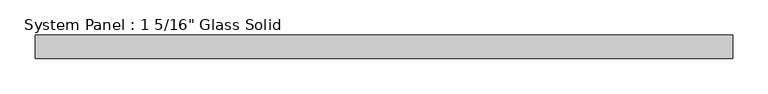
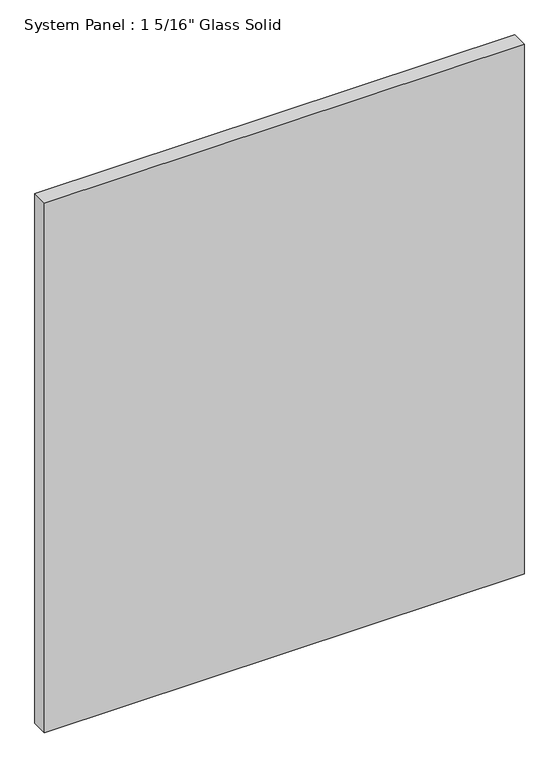
"""IFC4 building model written with IfcOpenShell, lengths in millimetres: plate geometry."""

from ifc_helpers import new_model, si_unit, origin, origin_with_axes, place, context, project, spatial, polyline, outline, extrude, source, transform, mapped, element, save


def plate_2ea05192(model_context):
    return source(origin(), model_context, "Body", "SweptSolid", [
        extrude(outline(polyline([(495.3, -16.66875), (-495.3, -16.66875), (-495.3, 16.66875), (495.3, 16.66875), (495.3, -16.66875)])), origin_with_axes(), (0.0, 0.0, 1.0), 1156.8594027),
    ])


if __name__ == "__main__":
    model = new_model("IFC4")
    model_context = context("Model", 3, world=origin())
    ifc_project = project(units=[si_unit("LENGTHUNIT", "METRE", prefix="MILLI")], contexts=[model_context])
    site = spatial("IfcSite", under=ifc_project)
    building = spatial("IfcBuilding", under=site)
    placement = place(None, origin())
    plate_shape = plate_2ea05192(model_context)
    element("IfcPlate", 1, ObjectType="System Panel : 1 5/16\" Glass Solid", at=placement, inside=building, context=model_context, shape_type="MappedRepresentation", body=[
        mapped(plate_shape, transform((0.0, 0.0, 0.0), x_axis=(1.0, 0.0, 0.0), y_axis=(0.0, 1.0, 0.0), z_axis=(0.0, 0.0, 1.0))),
    ])
    save(model, "model.ifc")
